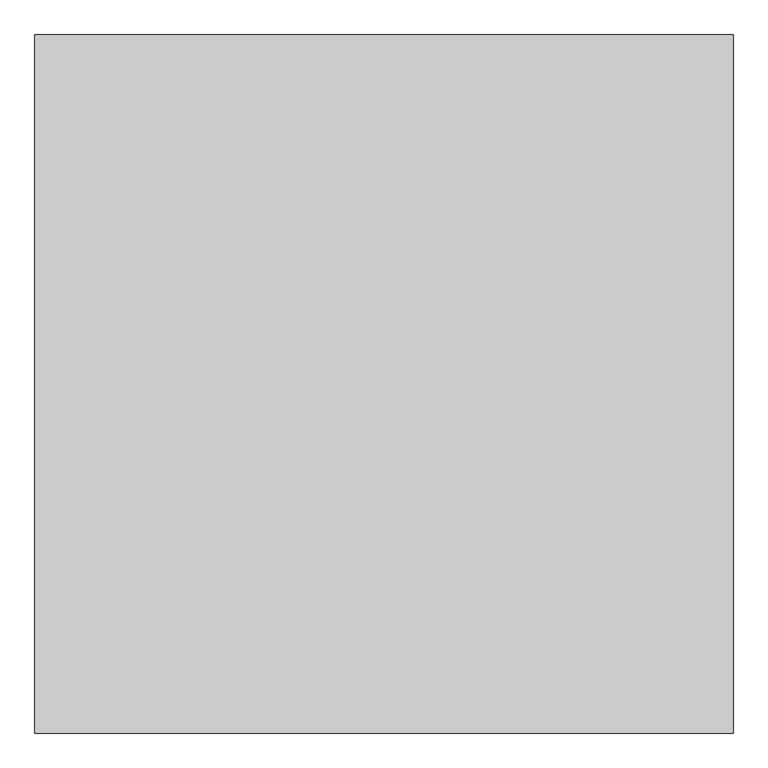
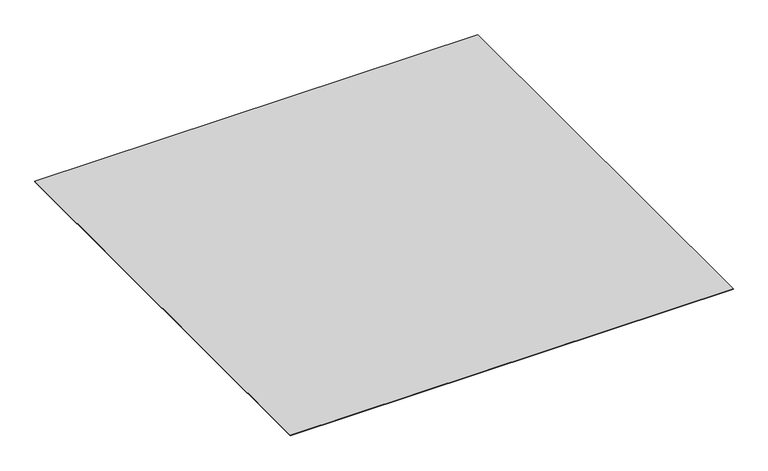
"""IFC4 building model written with IfcOpenShell, lengths in millimetres: proxy geometry."""

from ifc_helpers import new_model, si_unit, origin, origin_with_axes, place, context, project, spatial, polyline, outline, extrude, source, transform, mapped, element, save


def generic_models_9e7c1755(model_context):
    return source(origin(), model_context, "Body", "SweptSolid", [
        extrude(outline(polyline([(7403.0762132, -41687.355679), (7403.0762132, -42687.355679), (6403.0762132, -42687.355679), (6403.0762132, -41687.355679), (7403.0762132, -41687.355679)])), origin_with_axes(), (0.0, 0.0, 1.0), 1.0),
    ])


if __name__ == "__main__":
    model = new_model("IFC4")
    model_context = context("Model", 3, world=origin())
    ifc_project = project(units=[si_unit("LENGTHUNIT", "METRE", prefix="MILLI")], contexts=[model_context])
    site = spatial("IfcSite", under=ifc_project)
    building = spatial("IfcBuilding", under=site)
    placement = place(None, origin())
    generic_models_shape = generic_models_9e7c1755(model_context)
    element("IfcBuildingElementProxy", 1, Name="Generic Models", at=placement, inside=building, context=model_context, shape_type="MappedRepresentation", body=[
        mapped(generic_models_shape, transform((0.0, 0.0, 0.0), x_axis=(1.0, 0.0, 0.0), y_axis=(0.0, 1.0, 0.0), z_axis=(0.0, 0.0, 1.0))),
    ])
    save(model, "model.ifc")
